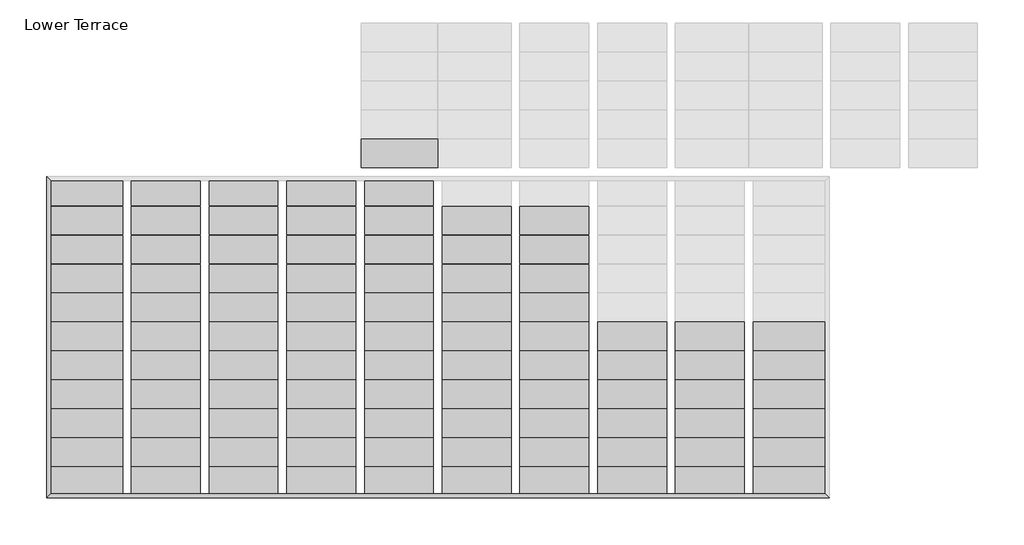
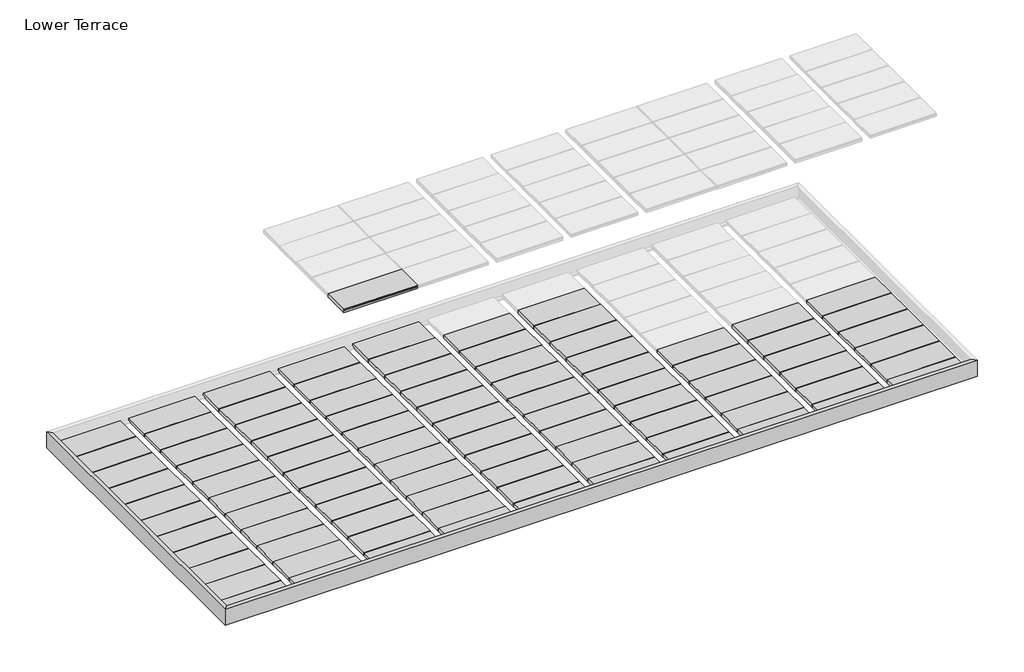
# One storey, part 1 of 3: 96 beams.
"""IFC4 building model written with IfcOpenShell, lengths in millimetres."""

import ifcopenshell
import ifcopenshell.guid

model = None  # the IFC model being written
_history = None  # IfcOwnerHistory: only IFC2X3 demands one
_inside = {}  # id of a spatial element -> (the spatial element, [elements in it])
_under = {}  # id of a project, library or spatial element -> (it, [spatial elements below it])
_declared = {}  # id of a project -> (the project, [libraries it declares])
_typed = {}  # id of a type object -> (the type object, [elements of that type])
_made_of = {}  # id of a material, layer set ... -> (it, [elements and type objects made of it])


def new_model(schema):
    """Start an empty IFC model of exactly this schema.

    Asked for "IFC4X3", IfcOpenShell would pick the latest addendum, in which some entities
    have other attributes; the version numbers below select the first issue.
    IFC2X3 requires an IfcOwnerHistory on every rooted entity: one is made here for all.
    """
    global model, _history
    if schema == "IFC4X3":
        model = ifcopenshell.file(schema_version=(4, 3, 0, 0))
    else:
        model = ifcopenshell.file(schema=schema)
    _inside.clear()
    _under.clear()
    _declared.clear()
    _typed.clear()
    _made_of.clear()
    _history = None
    if model.schema == "IFC2X3":
        org = make("IfcOrganization", Name="unknown")
        user = make(
            "IfcPersonAndOrganization",
            ThePerson=make("IfcPerson", FamilyName="unknown"),
            TheOrganization=org,
        )
        app = make(
            "IfcApplication",
            ApplicationDeveloper=org,
            Version="unknown",
            ApplicationFullName="unknown",
            ApplicationIdentifier="unknown",
        )
        _history = make(
            "IfcOwnerHistory",
            OwningUser=user,
            OwningApplication=app,
            ChangeAction="ADDED",
            CreationDate=0,
        )
    return model


def make(cls, **values):
    """One entity of the class cls with the attributes given. An attribute that is None is left unset."""
    return model.create_entity(
        cls, **{name: value for name, value in values.items() if value is not None}
    )


def rooted(cls, **values):
    """An entity with a GlobalId (a new one), such as an element, a storey or a relation."""
    return make(cls, GlobalId=ifcopenshell.guid.new(), OwnerHistory=_history, **values)


def si_unit(unit_type, name, prefix=None):
    """IfcSIUnit, for example si_unit("LENGTHUNIT", "METRE", prefix="MILLI")."""
    return make("IfcSIUnit", UnitType=unit_type, Prefix=prefix, Name=name)


def assignment(units):
    """IfcUnitAssignment: the units of a project."""
    return None if units is None else make("IfcUnitAssignment", Units=units)


def point(xyz):
    """IfcCartesianPoint."""
    return None if xyz is None else make("IfcCartesianPoint", Coordinates=xyz)


def direction(xyz):
    """IfcDirection."""
    return None if xyz is None else make("IfcDirection", DirectionRatios=xyz)


def frame(location, z_axis=None, x_axis=None):
    """IfcAxis2Placement3D, a coordinate frame: its origin and axes. An axis left out is left unset."""
    return make(
        "IfcAxis2Placement3D",
        Location=point(location),
        Axis=direction(z_axis),
        RefDirection=direction(x_axis),
    )


def frame_2d(location, x_axis=None):
    """IfcAxis2Placement2D, a coordinate frame in the plane: its origin and x axis."""
    return make(
        "IfcAxis2Placement2D", Location=point(location), RefDirection=direction(x_axis)
    )


def origin():
    """The frame at (0, 0, 0) with its axes left unset."""
    return frame((0.0, 0.0, 0.0))


def place(relative_to, where):
    """IfcLocalPlacement: puts the frame where relative to a parent placement (None: the world)."""
    return make(
        "IfcLocalPlacement", PlacementRelTo=relative_to, RelativePlacement=where
    )


def context(
    kind, dimensions, precision=None, world=None, true_north=None, identifier=None
):
    """IfcGeometricRepresentationContext, for example the 3D "Model" context."""
    return make(
        "IfcGeometricRepresentationContext",
        ContextIdentifier=identifier,
        ContextType=kind,
        CoordinateSpaceDimension=dimensions,
        Precision=precision,
        WorldCoordinateSystem=world,
        TrueNorth=true_north,
    )


def project(units=None, contexts=None):
    """IfcProject with its units and contexts."""
    return rooted(
        "IfcProject",
        Name="project",
        RepresentationContexts=contexts,
        UnitsInContext=assignment(units),
    )


def spatial(cls, under=None, at=None, **own):
    """A site, building, storey or space (cls), placed at a placement, below another one or the project."""
    s = rooted(cls, ObjectPlacement=at, **own)
    if under is not None:
        _under.setdefault(under.id(), (under, []))[1].append(s)
    return s


def polyline(points):
    """IfcPolyline through the points."""
    return make("IfcPolyline", Points=[point(p) for p in points])


def circle_curve(where, radius):
    """IfcCircle in the frame where."""
    return make("IfcCircle", Position=where, Radius=radius)


def ellipse_curve(where, semi_axis1, semi_axis2):
    """IfcEllipse in the frame where."""
    return make(
        "IfcEllipse", Position=where, SemiAxis1=semi_axis1, SemiAxis2=semi_axis2
    )


def trimmed(basis, trim1, trim2, sense, master):
    """IfcTrimmedCurve: the piece of a basis curve between two trims."""
    return make(
        "IfcTrimmedCurve",
        BasisCurve=basis,
        Trim1=trim1,
        Trim2=trim2,
        SenseAgreement=sense,
        MasterRepresentation=master,
    )


def segment(curve, same_sense, transition):
    """IfcCompositeCurveSegment."""
    return make(
        "IfcCompositeCurveSegment",
        Transition=transition,
        SameSense=same_sense,
        ParentCurve=curve,
    )


def composite_curve(segments, self_intersect=None):
    """IfcCompositeCurve: segments joined end to end."""
    return make("IfcCompositeCurve", Segments=segments, SelfIntersect=self_intersect)


def outline(outer, holes=None, kind="AREA"):
    """IfcArbitraryClosedProfileDef: a profile drawn as a closed curve; with holes, ...WithVoids."""
    if holes is None:
        return make("IfcArbitraryClosedProfileDef", ProfileType=kind, OuterCurve=outer)
    return make(
        "IfcArbitraryProfileDefWithVoids",
        ProfileType=kind,
        OuterCurve=outer,
        InnerCurves=holes,
    )


def extrude(swept, where, along, depth):
    """IfcExtrudedAreaSolid: the profile swept, set in the frame where, extruded along a direction by depth."""
    return make(
        "IfcExtrudedAreaSolid",
        SweptArea=swept,
        Position=where,
        ExtrudedDirection=direction(along),
        Depth=depth,
    )


def shape(context_of_items, identifier, shape_type, items):
    """IfcShapeRepresentation: the items that make up one representation, for example the "Body"."""
    return make(
        "IfcShapeRepresentation",
        ContextOfItems=context_of_items,
        RepresentationIdentifier=identifier,
        RepresentationType=shape_type,
        Items=items,
    )


def source(mapping_origin, context_of_items, identifier, shape_type, items):
    """IfcRepresentationMap: a shape defined once, which mapped items show again and again."""
    return make(
        "IfcRepresentationMap",
        MappingOrigin=mapping_origin,
        MappedRepresentation=shape(context_of_items, identifier, shape_type, items),
    )


def transform(
    local_origin,
    x_axis=None,
    y_axis=None,
    z_axis=None,
    scale=None,
    scale2=None,
    scale3=None,
    uniform=True,
):
    """IfcCartesianTransformationOperator3D, or its non-uniform kind. x_axis, y_axis, z_axis: its Axis1, 2, 3."""
    if uniform:
        return make(
            "IfcCartesianTransformationOperator3D",
            Axis1=direction(x_axis),
            Axis2=direction(y_axis),
            LocalOrigin=point(local_origin),
            Scale=scale,
            Axis3=direction(z_axis),
        )
    return make(
        "IfcCartesianTransformationOperator3DnonUniform",
        Axis1=direction(x_axis),
        Axis2=direction(y_axis),
        LocalOrigin=point(local_origin),
        Scale=scale,
        Axis3=direction(z_axis),
        Scale2=scale2,
        Scale3=scale3,
    )


def mapped(mapping_source, mapping_target):
    """IfcMappedItem: shows the shape of a source again, moved by a transform."""
    return make(
        "IfcMappedItem", MappingSource=mapping_source, MappingTarget=mapping_target
    )


def made_of(thing, what):
    """Note that an element or type object is made of a material, layer set ...; save() writes the relation."""
    if what is not None:
        _made_of.setdefault(what.id(), (what, []))[1].append(thing)
    return thing


def element(
    cls,
    number,
    at=None,
    inside=None,
    cuts=None,
    type_object=None,
    material=None,
    context=None,
    identifier="Body",
    shape_type=None,
    held_by="IfcProductDefinitionShape",
    body=None,
    shapes=None,
    **own,
):
    """One element of the class cls, such as IfcWall. Its Tag is "e" and its number.

    at: its placement. inside: the storey or other place that contains it. cuts: it is an
    opening in that element (IfcRelVoidsElement). A single representation is given by context,
    identifier, shape_type and body (its items); several are given by shapes. held_by: the class
    of the entity that holds the representations. save() writes the other relations.
    """
    e = rooted(cls, Tag="e%d" % number, ObjectPlacement=at, **own)
    if body is not None:
        shapes = [shape(context, identifier, shape_type, body)]
    if shapes is not None:
        e.Representation = make(held_by, Representations=shapes)
    if inside is not None:
        _inside.setdefault(inside.id(), (inside, []))[1].append(e)
    if cuts is not None:
        rooted(
            "IfcRelVoidsElement", RelatingBuildingElement=cuts, RelatedOpeningElement=e
        )
    if type_object is not None:
        _typed.setdefault(type_object.id(), (type_object, []))[1].append(e)
    return made_of(e, material)


def aggregate(whole, parts):
    """IfcRelAggregates: a whole, such as a stair, and the parts it consists of."""
    return rooted("IfcRelAggregates", RelatingObject=whole, RelatedObjects=parts)


def save(model, path):
    """Write the relations noted so far, then the file.

    IfcRelAggregates (storeys below a building ...), IfcRelContainedInSpatialStructure (elements
    in a storey), IfcRelDefinesByType, IfcRelAssociatesMaterial and IfcRelDeclares: one each for
    every whole, place, type object, material and project.
    """
    for whole, parts in _under.values():
        aggregate(whole, parts)
    for where, things in _inside.values():
        rooted(
            "IfcRelContainedInSpatialStructure",
            RelatedElements=things,
            RelatingStructure=where,
        )
    for kind, things in _typed.values():
        rooted("IfcRelDefinesByType", RelatedObjects=things, RelatingType=kind)
    for what, things in _made_of.values():
        rooted("IfcRelAssociatesMaterial", RelatedObjects=things, RelatingMaterial=what)
    for by, libraries in _declared.values():
        rooted("IfcRelDeclares", RelatingContext=by, RelatedDefinitions=libraries)
    model.write(path)


def plane_surface(at):
    """IfcPlane: the flat surface through the origin of the frame at, square to its z axis."""
    return make("IfcPlane", Position=at)


def cylinder_surface(at, radius):
    """IfcCylindricalSurface: all points at the distance radius from the z axis of the frame at."""
    return make("IfcCylindricalSurface", Position=at, Radius=radius)


def advanced_brep(points, edges, surfaces, faces):
    """IfcAdvancedBrep: a solid bounded by faces that lie on surfaces and meet in shared edges.

    An edge is (start, end): straight between two places in points (the first is 0);
    or (start, end, curve); or (start, end, curve, False) where it runs against its curve.
    A face is (place in surfaces, loops), or (place, loops, False) where it looks against
    its surface's normal. A loop lists edges by number (the first is 1), with a minus sign
    where the edge is run from its end to its start. The first loop is the outer one.
    """
    corners = [point(p) for p in points]
    vertices = [make("IfcVertexPoint", VertexGeometry=c) for c in corners]
    made = []
    for start, end, *more in edges:
        made.append(
            make(
                "IfcEdgeCurve",
                EdgeStart=vertices[start],
                EdgeEnd=vertices[end],
                EdgeGeometry=more[0] if more else make("IfcPolyline", Points=[corners[start], corners[end]]),
                SameSense=more[1] if len(more) > 1 else True,
            )
        )
    hull = []
    for where, loops, *sense in faces:
        bounds = []
        for j, loop in enumerate(loops):
            ring = [make("IfcOrientedEdge", EdgeElement=made[abs(k) - 1], Orientation=k > 0) for k in loop]
            bounds.append(
                make(
                    "IfcFaceOuterBound" if j == 0 else "IfcFaceBound",
                    Bound=make("IfcEdgeLoop", EdgeList=ring),
                    Orientation=True,
                )
            )
        hull.append(make("IfcAdvancedFace", Bounds=bounds, FaceSurface=surfaces[where], SameSense=sense[0] if sense else True))
    return make("IfcAdvancedBrep", Outer=make("IfcClosedShell", CfsFaces=hull))


def precast_solid_flat_slab_f5c3f743(model_context):
    return source(origin(), model_context, "Body", "SweptSolid", [
        extrude(outline(composite_curve([segment(polyline([(-304.8, 38.1), (304.8, 38.1), (304.8, 22.225)]), True, "CONTINUOUS"), segment(trimmed(circle_curve(frame_2d((304.8, 12.7)), 9.525), [point((304.8, 22.225))], [point((304.8, 3.175))], True, "CARTESIAN"), True, "CONTINUOUS"), segment(polyline([(304.8, 3.175), (304.8, -38.1), (-304.8, -38.1), (-304.8, 3.175)]), True, "CONTINUOUS"), segment(trimmed(circle_curve(frame_2d((-304.8, 12.7)), 9.525), [point((-304.8, 3.175))], [point((-304.8, 22.225))], True, "CARTESIAN"), True, "CONTINUOUS"), segment(polyline([(-304.8, 22.225), (-304.8, 38.1)]), True, "CONTINUOUS")], self_intersect=False)), frame((-787.7302, 0.0, 0.0), z_axis=(1.0, 0.0, 0.0), x_axis=(0.0, 1.0, 0.0)), (0.0, 0.0, 1.0), 1654.5052),
    ])


def precast_solid_flat_slab_e9907725(model_context):
    return source(origin(), model_context, "Body", "SweptSolid", [
        extrude(outline(composite_curve([segment(polyline([(-304.8, 38.1), (304.8, 38.1), (304.8, 22.225)]), True, "CONTINUOUS"), segment(trimmed(circle_curve(frame_2d((304.8, 12.7)), 9.525), [point((304.8, 22.225))], [point((304.8, 3.175))], True, "CARTESIAN"), True, "CONTINUOUS"), segment(polyline([(304.8, 3.175), (304.8, -38.1), (-304.8, -38.1), (-304.8, 3.175)]), True, "CONTINUOUS"), segment(trimmed(circle_curve(frame_2d((-304.8, 12.7)), 9.525), [point((-304.8, 3.175))], [point((-304.8, 22.225))], True, "CARTESIAN"), True, "CONTINUOUS"), segment(polyline([(-304.8, 22.225), (-304.8, 38.1)]), True, "CONTINUOUS")], self_intersect=False)), frame((-771.6738281, 0.0, 0.0), z_axis=(1.0, 0.0, 0.0), x_axis=(0.0, 1.0, 0.0)), (0.0, 0.0, 1.0), 1486.1976562),
    ])


def precast_solid_flat_slab_ed6b8f32(model_context):
    return source(origin(), model_context, "Body", "SweptSolid", [
        extrude(outline(composite_curve([segment(polyline([(-304.8, 38.1), (304.8, 38.1), (304.8, 22.225)]), True, "CONTINUOUS"), segment(trimmed(circle_curve(frame_2d((304.8, 12.7)), 9.525), [point((304.8, 22.225))], [point((304.8, 3.175))], True, "CARTESIAN"), True, "CONTINUOUS"), segment(polyline([(304.8, 3.175), (304.8, -38.1), (-304.8, -38.1), (-304.8, 3.175)]), True, "CONTINUOUS"), segment(trimmed(circle_curve(frame_2d((-304.8, 12.7)), 9.525), [point((-304.8, 3.175))], [point((-304.8, 22.225))], True, "CARTESIAN"), True, "CONTINUOUS"), segment(polyline([(-304.8, 22.225), (-304.8, 38.1)]), True, "CONTINUOUS")], self_intersect=False)), frame((-771.6738281, 0.0, 0.0), z_axis=(1.0, 0.0, 0.0), x_axis=(0.0, 1.0, 0.0)), (0.0, 0.0, 1.0), 1540.3540281),
    ])


def precast_solid_flat_slab_c824c802(model_context):
    return source(origin(), model_context, "Body", "SweptSolid", [
        extrude(outline(composite_curve([segment(polyline([(-304.8, 38.1), (304.8, 38.1), (304.8, 22.225)]), True, "CONTINUOUS"), segment(trimmed(circle_curve(frame_2d((304.8, 12.7)), 9.525), [point((304.8, 22.225))], [point((304.8, 3.175))], True, "CARTESIAN"), True, "CONTINUOUS"), segment(polyline([(304.8, 3.175), (304.8, -38.1), (-304.8, -38.1), (-304.8, 3.175)]), True, "CONTINUOUS"), segment(trimmed(circle_curve(frame_2d((-304.8, 12.7)), 9.525), [point((-304.8, 3.175))], [point((-304.8, 22.225))], True, "CARTESIAN"), True, "CONTINUOUS"), segment(polyline([(-304.8, 22.225), (-304.8, 38.1)]), True, "CONTINUOUS")], self_intersect=False)), frame((-825.8302, 0.0, 0.0), z_axis=(1.0, 0.0, 0.0), x_axis=(0.0, 1.0, 0.0)), (0.0, 0.0, 1.0), 1540.3540281),
    ])


model = new_model("IFC4")

# Units and contexts
model_context = context("Model", 3, world=origin())
ifc_project = project(units=[si_unit("LENGTHUNIT", "METRE", prefix="MILLI")], contexts=[model_context])

# Site, building, storey
site = spatial("IfcSite", under=ifc_project)
building = spatial("IfcBuilding", under=site)
storey = spatial("IfcBuildingStorey", under=building, Name="Lower Terrace", Elevation=0.0)

# Beams
placement = place(None, origin())
element("IfcBeam", 1, ObjectType="C-Channel : C15X33.9", at=placement, inside=storey, context=model_context, shape_type="AdvancedBrep", body=[
    advanced_brep(
    [(66.3448, 66.3448, 0.0), (-20.0152, -20.0152, 0.0), (16860.2152, -20.0152, 0.0), (16773.8552, 66.3448, 0.0), (49.8348, 49.8348, -16.51), (16790.3652, 49.8348, -16.51), (-9.8552, -9.8552, -25.9639672), (16850.0552, -9.8552, -25.9639672), (-9.8552, -9.8552, -355.0360328), (16850.0552, -9.8552, -355.0360328), (49.8348, 49.8348, -364.49), (16790.3652, 49.8348, -364.49), (66.3448, 66.3448, -381.0), (16773.8552, 66.3448, -381.0), (-20.0152, -20.0152, -381.0), (16860.2152, -20.0152, -381.0)],
    [
        (0, 1),
        (1, 2),
        (2, 3),
        (3, 0),
        (4, 0, ellipse_curve(frame((49.8348, 49.8348, 0.0), z_axis=(0.707106781186546, -0.707106781186549, 0.0), x_axis=(0.707106781186549, 0.707106781186546, 0.0)), 23.3486659, 16.51)),
        (3, 5, ellipse_curve(frame((16790.3652, 49.8348, 0.0), z_axis=(-0.707106781186546, -0.707106781186549, 0.0), x_axis=(0.707106781186549, -0.707106781186546, 0.0)), 23.3486659, 16.51)),
        (5, 4),
        (6, 4),
        (5, 7),
        (7, 6),
        (8, 6),
        (7, 9),
        (9, 8),
        (10, 8),
        (9, 11),
        (11, 10),
        (12, 10, ellipse_curve(frame((49.8348, 49.8348, -381.0), z_axis=(0.707106781186546, -0.707106781186549, 0.0), x_axis=(0.707106781186549, 0.707106781186546, 0.0)), 23.3486659, 16.51)),
        (11, 13, ellipse_curve(frame((16790.3652, 49.8348, -381.0), z_axis=(-0.707106781186546, -0.707106781186549, 0.0), x_axis=(0.707106781186549, -0.707106781186546, 0.0)), 23.3486659, 16.51)),
        (13, 12),
        (14, 12),
        (13, 15),
        (15, 14),
        (1, 14),
        (15, 2),
    ],
    [
        plane_surface(frame((0.0, 23.1648, 0.0), z_axis=(0.0, 0.0, 1.0), x_axis=(0.0, 1.0, 0.0))),
        cylinder_surface(frame((0.0, 49.8348, 0.0), z_axis=(1.0, 0.0, 0.0), x_axis=(0.0, 0.0, -1.0)), 16.51),
        plane_surface(frame((0.0, 19.9898, -21.2369836), z_axis=(0.0, 0.15643446504022748, -0.9876883405951383), x_axis=(0.0, -0.9876883405951383, -0.15643446504022748))),
        plane_surface(frame((0.0, -9.8552, -190.5), z_axis=(0.0, 1.0, 0.0), x_axis=(0.0, 0.0, -1.0))),
        plane_surface(frame((0.0, 19.9898, -359.7630164), z_axis=(0.0, 0.15643446504023373, 0.9876883405951373), x_axis=(0.0, 0.9876883405951373, -0.15643446504023373))),
        cylinder_surface(frame((0.0, 49.8348, -381.0), z_axis=(1.0, 0.0, 0.0), x_axis=(0.0, 1.0, 0.0)), 16.51),
        plane_surface(frame((0.0, 23.1648, -381.0), z_axis=(0.0, 0.0, -1.0), x_axis=(0.0, -1.0, 0.0))),
        plane_surface(frame((0.0, -20.0152, -190.5), z_axis=(0.0, -1.0, 0.0), x_axis=(0.0, 0.0, 1.0))),
        plane_surface(frame((66.3448, 66.3448, 0.0), z_axis=(-0.707106781186546, 0.707106781186549, 0.0), x_axis=(0.707106781186549, 0.707106781186546, 0.0))),
        plane_surface(frame((16773.8552, 66.3448, 0.0), z_axis=(0.707106781186546, 0.707106781186549, 0.0), x_axis=(0.707106781186549, -0.707106781186546, 0.0))),
    ],
    [
        (0, [[1, 2, 3, 4]]),
        (1, [[5, -4, 6, 7]]),
        (2, [[8, -7, 9, 10]]),
        (3, [[11, -10, 12, 13]]),
        (4, [[14, -13, 15, 16]]),
        (5, [[17, -16, 18, 19]]),
        (6, [[20, -19, 21, 22]]),
        (7, [[23, -22, 24, -2]]),
        (8, [[-1, -5, -8, -11, -14, -17, -20, -23]]),
        (9, [[-24, -21, -18, -15, -12, -9, -6, -3]]),
    ],
),
])
element("IfcBeam", 2, ObjectType="C-Channel : C15X33.9", at=placement, inside=storey, context=model_context, shape_type="AdvancedBrep", body=[
    advanced_brep(
    [(66.3448, 6836.1052, 0.0), (-20.0152, 6922.4652, 0.0), (-20.0152, -20.0152, 0.0), (66.3448, 66.3448, 0.0), (49.8348, 6852.6152, -16.51), (49.8348, 49.8348, -16.51), (-9.8552, 6912.3052, -25.9639672), (-9.8552, -9.8552, -25.9639672), (-9.8552, 6912.3052, -355.0360328), (-9.8552, -9.8552, -355.0360328), (49.8348, 6852.6152, -364.49), (49.8348, 49.8348, -364.49), (66.3448, 6836.1052, -381.0), (66.3448, 66.3448, -381.0), (-20.0152, 6922.4652, -381.0), (-20.0152, -20.0152, -381.0)],
    [
        (0, 1),
        (1, 2),
        (2, 3),
        (3, 0),
        (4, 0, ellipse_curve(frame((49.8348, 6852.6152, 0.0), z_axis=(-0.707106781186549, -0.707106781186546, 0.0), x_axis=(0.707106781186546, -0.707106781186549, 0.0)), 23.3486659, 16.51)),
        (3, 5, ellipse_curve(frame((49.8348, 49.8348, 0.0), z_axis=(-0.7071067811865476, 0.7071067811865475, 0.0), x_axis=(-0.7071067811865475, -0.7071067811865477, 0.0)), 23.3486659, 16.51)),
        (5, 4),
        (6, 4),
        (5, 7),
        (7, 6),
        (8, 6),
        (7, 9),
        (9, 8),
        (10, 8),
        (9, 11),
        (11, 10),
        (12, 10, ellipse_curve(frame((49.8348, 6852.6152, -381.0), z_axis=(-0.707106781186549, -0.707106781186546, 0.0), x_axis=(0.707106781186546, -0.707106781186549, 0.0)), 23.3486659, 16.51)),
        (11, 13, ellipse_curve(frame((49.8348, 49.8348, -381.0), z_axis=(-0.7071067811865476, 0.7071067811865475, 0.0), x_axis=(-0.7071067811865475, -0.7071067811865477, 0.0)), 23.3486659, 16.51)),
        (13, 12),
        (14, 12),
        (13, 15),
        (15, 14),
        (1, 14),
        (15, 2),
    ],
    [
        plane_surface(frame((23.1648, 6902.45, 0.0), z_axis=(0.0, 0.0, 1.0), x_axis=(1.0, 0.0, 0.0))),
        cylinder_surface(frame((49.8348, 6902.45, 0.0), z_axis=(0.0, -1.0, 0.0), x_axis=(0.0, 0.0, -1.0)), 16.51),
        plane_surface(frame((19.9898, 6902.45, -21.2369836), z_axis=(0.15643446504022748, 0.0, -0.9876883405951383), x_axis=(-0.9876883405951383, 0.0, -0.15643446504022748))),
        plane_surface(frame((-9.8552, 6902.45, -190.5), z_axis=(1.0, 0.0, 0.0), x_axis=(0.0, 0.0, -1.0))),
        plane_surface(frame((19.9898, 6902.45, -359.7630164), z_axis=(0.15643446504023373, 0.0, 0.9876883405951373), x_axis=(0.9876883405951373, 0.0, -0.15643446504023373))),
        cylinder_surface(frame((49.8348, 6902.45, -381.0), z_axis=(0.0, -1.0, 0.0), x_axis=(1.0, 0.0, 0.0)), 16.51),
        plane_surface(frame((23.1648, 6902.45, -381.0), z_axis=(0.0, 0.0, -1.0), x_axis=(-1.0, 0.0, 0.0))),
        plane_surface(frame((-20.0152, 6902.45, -190.5), z_axis=(-1.0, 0.0, 0.0), x_axis=(0.0, 0.0, 1.0))),
        plane_surface(frame((66.3448, 66.3448, 0.0), z_axis=(0.7071067811865476, -0.7071067811865475, 0.0), x_axis=(0.7071067811865475, 0.7071067811865476, 0.0))),
        plane_surface(frame((66.3448, 6836.1052, 0.0), z_axis=(0.707106781186549, 0.707106781186546, 0.0), x_axis=(0.707106781186546, -0.707106781186549, 0.0))),
    ],
    [
        (0, [[1, 2, 3, 4]]),
        (1, [[5, -4, 6, 7]]),
        (2, [[8, -7, 9, 10]]),
        (3, [[11, -10, 12, 13]]),
        (4, [[14, -13, 15, 16]]),
        (5, [[17, -16, 18, 19]]),
        (6, [[20, -19, 21, 22]]),
        (7, [[23, -22, 24, -2]]),
        (8, [[-24, -21, -18, -15, -12, -9, -6, -3]]),
        (9, [[-1, -5, -8, -11, -14, -17, -20, -23]]),
    ],
),
])
precast_solid_flat_slab_shape = precast_solid_flat_slab_f5c3f743(model_context)
element("IfcBeam", 3, ObjectType="Precast-Solid Flat Slab", at=placement, inside=storey, context=model_context, shape_type="MappedRepresentation", body=[
    mapped(precast_solid_flat_slab_shape, transform((7553.325, 7423.15, 368.3), x_axis=(1.0, 0.0, 0.0), y_axis=(0.0, 1.0, 0.0), z_axis=(0.0, 0.0, 1.0))),
])
precast_solid_flat_slab_2_shape = precast_solid_flat_slab_e9907725(model_context)
element("IfcBeam", 4, ObjectType="Precast-Solid Flat Slab", at=placement, inside=storey, context=model_context, shape_type="MappedRepresentation", body=[
    mapped(precast_solid_flat_slab_2_shape, transform((10963.275, 5972.4192308, -342.9), x_axis=(1.0, 0.0, 0.0), y_axis=(0.0, 1.0, 0.0), z_axis=(0.0, 0.0, 1.0))),
])
element("IfcBeam", 5, ObjectType="Precast-Solid Flat Slab", at=placement, inside=storey, context=model_context, shape_type="MappedRepresentation", body=[
    mapped(precast_solid_flat_slab_2_shape, transform((10963.275, 5347.1884615, -342.9), x_axis=(1.0, 0.0, 0.0), y_axis=(0.0, 1.0, 0.0), z_axis=(0.0, 0.0, 1.0))),
])
element("IfcBeam", 6, ObjectType="Precast-Solid Flat Slab", at=placement, inside=storey, context=model_context, shape_type="MappedRepresentation", body=[
    mapped(precast_solid_flat_slab_2_shape, transform((10963.275, 4721.9576923, -342.9), x_axis=(1.0, 0.0, 0.0), y_axis=(0.0, 1.0, 0.0), z_axis=(0.0, 0.0, 1.0))),
])
element("IfcBeam", 7, ObjectType="Precast-Solid Flat Slab", at=placement, inside=storey, context=model_context, shape_type="MappedRepresentation", body=[
    mapped(precast_solid_flat_slab_2_shape, transform((10963.275, 4096.7269231, -342.9), x_axis=(1.0, 0.0, 0.0), y_axis=(0.0, 1.0, 0.0), z_axis=(0.0, 0.0, 1.0))),
])
element("IfcBeam", 8, ObjectType="Precast-Solid Flat Slab", at=placement, inside=storey, context=model_context, shape_type="MappedRepresentation", body=[
    mapped(precast_solid_flat_slab_2_shape, transform((10963.275, 3471.4961538, -342.9), x_axis=(1.0, 0.0, 0.0), y_axis=(0.0, 1.0, 0.0), z_axis=(0.0, 0.0, 1.0))),
])
element("IfcBeam", 9, ObjectType="Precast-Solid Flat Slab", at=placement, inside=storey, context=model_context, shape_type="MappedRepresentation", body=[
    mapped(precast_solid_flat_slab_2_shape, transform((10963.275, 2846.2653846, -342.9), x_axis=(1.0, 0.0, 0.0), y_axis=(0.0, 1.0, 0.0), z_axis=(0.0, 0.0, 1.0))),
])
element("IfcBeam", 10, ObjectType="Precast-Solid Flat Slab", at=placement, inside=storey, context=model_context, shape_type="MappedRepresentation", body=[
    mapped(precast_solid_flat_slab_2_shape, transform((10963.275, 2221.0346154, -342.9), x_axis=(1.0, 0.0, 0.0), y_axis=(0.0, 1.0, 0.0), z_axis=(0.0, 0.0, 1.0))),
])
element("IfcBeam", 11, ObjectType="Precast-Solid Flat Slab", at=placement, inside=storey, context=model_context, shape_type="MappedRepresentation", body=[
    mapped(precast_solid_flat_slab_2_shape, transform((10963.275, 1595.8038462, -342.9), x_axis=(1.0, 0.0, 0.0), y_axis=(0.0, 1.0, 0.0), z_axis=(0.0, 0.0, 1.0))),
])
element("IfcBeam", 12, ObjectType="Precast-Solid Flat Slab", at=placement, inside=storey, context=model_context, shape_type="MappedRepresentation", body=[
    mapped(precast_solid_flat_slab_2_shape, transform((10963.275, 970.5730769, -342.9), x_axis=(1.0, 0.0, 0.0), y_axis=(0.0, 1.0, 0.0), z_axis=(0.0, 0.0, 1.0))),
])
element("IfcBeam", 13, ObjectType="Precast-Solid Flat Slab", at=placement, inside=storey, context=model_context, shape_type="MappedRepresentation", body=[
    mapped(precast_solid_flat_slab_2_shape, transform((10963.275, 345.3423077, -342.9), x_axis=(1.0, 0.0, 0.0), y_axis=(0.0, 1.0, 0.0), z_axis=(0.0, 0.0, 1.0))),
])
element("IfcBeam", 14, ObjectType="Precast-Solid Flat Slab", at=placement, inside=storey, context=model_context, shape_type="MappedRepresentation", body=[
    mapped(precast_solid_flat_slab_2_shape, transform((12639.675, 3471.4961538, -342.9), x_axis=(1.0, 0.0, 0.0), y_axis=(0.0, 1.0, 0.0), z_axis=(0.0, 0.0, 1.0))),
])
element("IfcBeam", 15, ObjectType="Precast-Solid Flat Slab", at=placement, inside=storey, context=model_context, shape_type="MappedRepresentation", body=[
    mapped(precast_solid_flat_slab_2_shape, transform((12639.675, 2846.2653846, -342.9), x_axis=(1.0, 0.0, 0.0), y_axis=(0.0, 1.0, 0.0), z_axis=(0.0, 0.0, 1.0))),
])
element("IfcBeam", 16, ObjectType="Precast-Solid Flat Slab", at=placement, inside=storey, context=model_context, shape_type="MappedRepresentation", body=[
    mapped(precast_solid_flat_slab_2_shape, transform((12639.675, 2221.0346154, -342.9), x_axis=(1.0, 0.0, 0.0), y_axis=(0.0, 1.0, 0.0), z_axis=(0.0, 0.0, 1.0))),
])
element("IfcBeam", 17, ObjectType="Precast-Solid Flat Slab", at=placement, inside=storey, context=model_context, shape_type="MappedRepresentation", body=[
    mapped(precast_solid_flat_slab_2_shape, transform((12639.675, 1595.8038462, -342.9), x_axis=(1.0, 0.0, 0.0), y_axis=(0.0, 1.0, 0.0), z_axis=(0.0, 0.0, 1.0))),
])
element("IfcBeam", 18, ObjectType="Precast-Solid Flat Slab", at=placement, inside=storey, context=model_context, shape_type="MappedRepresentation", body=[
    mapped(precast_solid_flat_slab_2_shape, transform((12639.675, 970.5730769, -342.9), x_axis=(1.0, 0.0, 0.0), y_axis=(0.0, 1.0, 0.0), z_axis=(0.0, 0.0, 1.0))),
])
element("IfcBeam", 19, ObjectType="Precast-Solid Flat Slab", at=placement, inside=storey, context=model_context, shape_type="MappedRepresentation", body=[
    mapped(precast_solid_flat_slab_2_shape, transform((12639.675, 345.3423077, -342.9), x_axis=(1.0, 0.0, 0.0), y_axis=(0.0, 1.0, 0.0), z_axis=(0.0, 0.0, 1.0))),
])
element("IfcBeam", 20, ObjectType="Precast-Solid Flat Slab", at=placement, inside=storey, context=model_context, shape_type="MappedRepresentation", body=[
    mapped(precast_solid_flat_slab_2_shape, transform((14316.075, 3471.4961538, -342.9), x_axis=(1.0, 0.0, 0.0), y_axis=(0.0, 1.0, 0.0), z_axis=(0.0, 0.0, 1.0))),
])
element("IfcBeam", 21, ObjectType="Precast-Solid Flat Slab", at=placement, inside=storey, context=model_context, shape_type="MappedRepresentation", body=[
    mapped(precast_solid_flat_slab_2_shape, transform((14316.075, 2846.2653846, -342.9), x_axis=(1.0, 0.0, 0.0), y_axis=(0.0, 1.0, 0.0), z_axis=(0.0, 0.0, 1.0))),
])
element("IfcBeam", 22, ObjectType="Precast-Solid Flat Slab", at=placement, inside=storey, context=model_context, shape_type="MappedRepresentation", body=[
    mapped(precast_solid_flat_slab_2_shape, transform((14316.075, 2221.0346154, -342.9), x_axis=(1.0, 0.0, 0.0), y_axis=(0.0, 1.0, 0.0), z_axis=(0.0, 0.0, 1.0))),
])
element("IfcBeam", 23, ObjectType="Precast-Solid Flat Slab", at=placement, inside=storey, context=model_context, shape_type="MappedRepresentation", body=[
    mapped(precast_solid_flat_slab_2_shape, transform((14316.075, 1595.8038462, -342.9), x_axis=(1.0, 0.0, 0.0), y_axis=(0.0, 1.0, 0.0), z_axis=(0.0, 0.0, 1.0))),
])
element("IfcBeam", 24, ObjectType="Precast-Solid Flat Slab", at=placement, inside=storey, context=model_context, shape_type="MappedRepresentation", body=[
    mapped(precast_solid_flat_slab_2_shape, transform((14316.075, 970.5730769, -342.9), x_axis=(1.0, 0.0, 0.0), y_axis=(0.0, 1.0, 0.0), z_axis=(0.0, 0.0, 1.0))),
])
element("IfcBeam", 25, ObjectType="Precast-Solid Flat Slab", at=placement, inside=storey, context=model_context, shape_type="MappedRepresentation", body=[
    mapped(precast_solid_flat_slab_2_shape, transform((14316.075, 345.3423077, -342.9), x_axis=(1.0, 0.0, 0.0), y_axis=(0.0, 1.0, 0.0), z_axis=(0.0, 0.0, 1.0))),
])
element("IfcBeam", 26, ObjectType="Precast-Solid Flat Slab", at=placement, inside=storey, context=model_context, shape_type="MappedRepresentation", body=[
    mapped(precast_solid_flat_slab_2_shape, transform((9286.875, 5972.4192308, -342.9), x_axis=(1.0, 0.0, 0.0), y_axis=(0.0, 1.0, 0.0), z_axis=(0.0, 0.0, 1.0))),
])
element("IfcBeam", 27, ObjectType="Precast-Solid Flat Slab", at=placement, inside=storey, context=model_context, shape_type="MappedRepresentation", body=[
    mapped(precast_solid_flat_slab_2_shape, transform((9286.875, 5347.1884615, -342.9), x_axis=(1.0, 0.0, 0.0), y_axis=(0.0, 1.0, 0.0), z_axis=(0.0, 0.0, 1.0))),
])
element("IfcBeam", 28, ObjectType="Precast-Solid Flat Slab", at=placement, inside=storey, context=model_context, shape_type="MappedRepresentation", body=[
    mapped(precast_solid_flat_slab_2_shape, transform((9286.875, 4721.9576923, -342.9), x_axis=(1.0, 0.0, 0.0), y_axis=(0.0, 1.0, 0.0), z_axis=(0.0, 0.0, 1.0))),
])
element("IfcBeam", 29, ObjectType="Precast-Solid Flat Slab", at=placement, inside=storey, context=model_context, shape_type="MappedRepresentation", body=[
    mapped(precast_solid_flat_slab_2_shape, transform((9286.875, 4096.7269231, -342.9), x_axis=(1.0, 0.0, 0.0), y_axis=(0.0, 1.0, 0.0), z_axis=(0.0, 0.0, 1.0))),
])
element("IfcBeam", 30, ObjectType="Precast-Solid Flat Slab", at=placement, inside=storey, context=model_context, shape_type="MappedRepresentation", body=[
    mapped(precast_solid_flat_slab_2_shape, transform((9286.875, 3471.4961538, -342.9), x_axis=(1.0, 0.0, 0.0), y_axis=(0.0, 1.0, 0.0), z_axis=(0.0, 0.0, 1.0))),
])
element("IfcBeam", 31, ObjectType="Precast-Solid Flat Slab", at=placement, inside=storey, context=model_context, shape_type="MappedRepresentation", body=[
    mapped(precast_solid_flat_slab_2_shape, transform((9286.875, 2846.2653846, -342.9), x_axis=(1.0, 0.0, 0.0), y_axis=(0.0, 1.0, 0.0), z_axis=(0.0, 0.0, 1.0))),
])
element("IfcBeam", 32, ObjectType="Precast-Solid Flat Slab", at=placement, inside=storey, context=model_context, shape_type="MappedRepresentation", body=[
    mapped(precast_solid_flat_slab_2_shape, transform((9286.875, 2221.0346154, -342.9), x_axis=(1.0, 0.0, 0.0), y_axis=(0.0, 1.0, 0.0), z_axis=(0.0, 0.0, 1.0))),
])
element("IfcBeam", 33, ObjectType="Precast-Solid Flat Slab", at=placement, inside=storey, context=model_context, shape_type="MappedRepresentation", body=[
    mapped(precast_solid_flat_slab_2_shape, transform((9286.875, 1595.8038462, -342.9), x_axis=(1.0, 0.0, 0.0), y_axis=(0.0, 1.0, 0.0), z_axis=(0.0, 0.0, 1.0))),
])
element("IfcBeam", 34, ObjectType="Precast-Solid Flat Slab", at=placement, inside=storey, context=model_context, shape_type="MappedRepresentation", body=[
    mapped(precast_solid_flat_slab_2_shape, transform((9286.875, 970.5730769, -342.9), x_axis=(1.0, 0.0, 0.0), y_axis=(0.0, 1.0, 0.0), z_axis=(0.0, 0.0, 1.0))),
])
element("IfcBeam", 35, ObjectType="Precast-Solid Flat Slab", at=placement, inside=storey, context=model_context, shape_type="MappedRepresentation", body=[
    mapped(precast_solid_flat_slab_2_shape, transform((9286.875, 345.3423077, -342.9), x_axis=(1.0, 0.0, 0.0), y_axis=(0.0, 1.0, 0.0), z_axis=(0.0, 0.0, 1.0))),
])
element("IfcBeam", 36, ObjectType="Precast-Solid Flat Slab", at=placement, inside=storey, context=model_context, shape_type="MappedRepresentation", body=[
    mapped(precast_solid_flat_slab_2_shape, transform((7610.475, 6597.65, -342.9), x_axis=(1.0, 0.0, 0.0), y_axis=(0.0, 1.0, 0.0), z_axis=(0.0, 0.0, 1.0))),
])
element("IfcBeam", 37, ObjectType="Precast-Solid Flat Slab", at=placement, inside=storey, context=model_context, shape_type="MappedRepresentation", body=[
    mapped(precast_solid_flat_slab_2_shape, transform((7610.475, 5972.4192308, -342.9), x_axis=(1.0, 0.0, 0.0), y_axis=(0.0, 1.0, 0.0), z_axis=(0.0, 0.0, 1.0))),
])
element("IfcBeam", 38, ObjectType="Precast-Solid Flat Slab", at=placement, inside=storey, context=model_context, shape_type="MappedRepresentation", body=[
    mapped(precast_solid_flat_slab_2_shape, transform((7610.475, 5347.1884615, -342.9), x_axis=(1.0, 0.0, 0.0), y_axis=(0.0, 1.0, 0.0), z_axis=(0.0, 0.0, 1.0))),
])
element("IfcBeam", 39, ObjectType="Precast-Solid Flat Slab", at=placement, inside=storey, context=model_context, shape_type="MappedRepresentation", body=[
    mapped(precast_solid_flat_slab_2_shape, transform((7610.475, 4721.9576923, -342.9), x_axis=(1.0, 0.0, 0.0), y_axis=(0.0, 1.0, 0.0), z_axis=(0.0, 0.0, 1.0))),
])
element("IfcBeam", 40, ObjectType="Precast-Solid Flat Slab", at=placement, inside=storey, context=model_context, shape_type="MappedRepresentation", body=[
    mapped(precast_solid_flat_slab_2_shape, transform((7610.475, 4096.7269231, -342.9), x_axis=(1.0, 0.0, 0.0), y_axis=(0.0, 1.0, 0.0), z_axis=(0.0, 0.0, 1.0))),
])
element("IfcBeam", 41, ObjectType="Precast-Solid Flat Slab", at=placement, inside=storey, context=model_context, shape_type="MappedRepresentation", body=[
    mapped(precast_solid_flat_slab_2_shape, transform((7610.475, 3471.4961538, -342.9), x_axis=(1.0, 0.0, 0.0), y_axis=(0.0, 1.0, 0.0), z_axis=(0.0, 0.0, 1.0))),
])
element("IfcBeam", 42, ObjectType="Precast-Solid Flat Slab", at=placement, inside=storey, context=model_context, shape_type="MappedRepresentation", body=[
    mapped(precast_solid_flat_slab_2_shape, transform((7610.475, 2846.2653846, -342.9), x_axis=(1.0, 0.0, 0.0), y_axis=(0.0, 1.0, 0.0), z_axis=(0.0, 0.0, 1.0))),
])
element("IfcBeam", 43, ObjectType="Precast-Solid Flat Slab", at=placement, inside=storey, context=model_context, shape_type="MappedRepresentation", body=[
    mapped(precast_solid_flat_slab_2_shape, transform((7610.475, 2221.0346154, -342.9), x_axis=(1.0, 0.0, 0.0), y_axis=(0.0, 1.0, 0.0), z_axis=(0.0, 0.0, 1.0))),
])
element("IfcBeam", 44, ObjectType="Precast-Solid Flat Slab", at=placement, inside=storey, context=model_context, shape_type="MappedRepresentation", body=[
    mapped(precast_solid_flat_slab_2_shape, transform((7610.475, 1595.8038462, -342.9), x_axis=(1.0, 0.0, 0.0), y_axis=(0.0, 1.0, 0.0), z_axis=(0.0, 0.0, 1.0))),
])
element("IfcBeam", 45, ObjectType="Precast-Solid Flat Slab", at=placement, inside=storey, context=model_context, shape_type="MappedRepresentation", body=[
    mapped(precast_solid_flat_slab_2_shape, transform((7610.475, 970.5730769, -342.9), x_axis=(1.0, 0.0, 0.0), y_axis=(0.0, 1.0, 0.0), z_axis=(0.0, 0.0, 1.0))),
])
element("IfcBeam", 46, ObjectType="Precast-Solid Flat Slab", at=placement, inside=storey, context=model_context, shape_type="MappedRepresentation", body=[
    mapped(precast_solid_flat_slab_2_shape, transform((7610.475, 345.3423077, -342.9), x_axis=(1.0, 0.0, 0.0), y_axis=(0.0, 1.0, 0.0), z_axis=(0.0, 0.0, 1.0))),
])
element("IfcBeam", 47, ObjectType="Precast-Solid Flat Slab", at=placement, inside=storey, context=model_context, shape_type="MappedRepresentation", body=[
    mapped(precast_solid_flat_slab_2_shape, transform((5934.075, 6597.65, -342.9), x_axis=(1.0, 0.0, 0.0), y_axis=(0.0, 1.0, 0.0), z_axis=(0.0, 0.0, 1.0))),
])
element("IfcBeam", 48, ObjectType="Precast-Solid Flat Slab", at=placement, inside=storey, context=model_context, shape_type="MappedRepresentation", body=[
    mapped(precast_solid_flat_slab_2_shape, transform((5934.075, 5972.4192308, -342.9), x_axis=(1.0, 0.0, 0.0), y_axis=(0.0, 1.0, 0.0), z_axis=(0.0, 0.0, 1.0))),
])
element("IfcBeam", 49, ObjectType="Precast-Solid Flat Slab", at=placement, inside=storey, context=model_context, shape_type="MappedRepresentation", body=[
    mapped(precast_solid_flat_slab_2_shape, transform((5934.075, 5347.1884615, -342.9), x_axis=(1.0, 0.0, 0.0), y_axis=(0.0, 1.0, 0.0), z_axis=(0.0, 0.0, 1.0))),
])
element("IfcBeam", 50, ObjectType="Precast-Solid Flat Slab", at=placement, inside=storey, context=model_context, shape_type="MappedRepresentation", body=[
    mapped(precast_solid_flat_slab_2_shape, transform((5934.075, 4721.9576923, -342.9), x_axis=(1.0, 0.0, 0.0), y_axis=(0.0, 1.0, 0.0), z_axis=(0.0, 0.0, 1.0))),
])
element("IfcBeam", 51, ObjectType="Precast-Solid Flat Slab", at=placement, inside=storey, context=model_context, shape_type="MappedRepresentation", body=[
    mapped(precast_solid_flat_slab_2_shape, transform((5934.075, 4096.7269231, -342.9), x_axis=(1.0, 0.0, 0.0), y_axis=(0.0, 1.0, 0.0), z_axis=(0.0, 0.0, 1.0))),
])
element("IfcBeam", 52, ObjectType="Precast-Solid Flat Slab", at=placement, inside=storey, context=model_context, shape_type="MappedRepresentation", body=[
    mapped(precast_solid_flat_slab_2_shape, transform((5934.075, 3471.4961538, -342.9), x_axis=(1.0, 0.0, 0.0), y_axis=(0.0, 1.0, 0.0), z_axis=(0.0, 0.0, 1.0))),
])
element("IfcBeam", 53, ObjectType="Precast-Solid Flat Slab", at=placement, inside=storey, context=model_context, shape_type="MappedRepresentation", body=[
    mapped(precast_solid_flat_slab_2_shape, transform((5934.075, 2846.2653846, -342.9), x_axis=(1.0, 0.0, 0.0), y_axis=(0.0, 1.0, 0.0), z_axis=(0.0, 0.0, 1.0))),
])
element("IfcBeam", 54, ObjectType="Precast-Solid Flat Slab", at=placement, inside=storey, context=model_context, shape_type="MappedRepresentation", body=[
    mapped(precast_solid_flat_slab_2_shape, transform((5934.075, 2221.0346154, -342.9), x_axis=(1.0, 0.0, 0.0), y_axis=(0.0, 1.0, 0.0), z_axis=(0.0, 0.0, 1.0))),
])
element("IfcBeam", 55, ObjectType="Precast-Solid Flat Slab", at=placement, inside=storey, context=model_context, shape_type="MappedRepresentation", body=[
    mapped(precast_solid_flat_slab_2_shape, transform((5934.075, 1595.8038462, -342.9), x_axis=(1.0, 0.0, 0.0), y_axis=(0.0, 1.0, 0.0), z_axis=(0.0, 0.0, 1.0))),
])
element("IfcBeam", 56, ObjectType="Precast-Solid Flat Slab", at=placement, inside=storey, context=model_context, shape_type="MappedRepresentation", body=[
    mapped(precast_solid_flat_slab_2_shape, transform((5934.075, 970.5730769, -342.9), x_axis=(1.0, 0.0, 0.0), y_axis=(0.0, 1.0, 0.0), z_axis=(0.0, 0.0, 1.0))),
])
element("IfcBeam", 57, ObjectType="Precast-Solid Flat Slab", at=placement, inside=storey, context=model_context, shape_type="MappedRepresentation", body=[
    mapped(precast_solid_flat_slab_2_shape, transform((5934.075, 345.3423077, -342.9), x_axis=(1.0, 0.0, 0.0), y_axis=(0.0, 1.0, 0.0), z_axis=(0.0, 0.0, 1.0))),
])
element("IfcBeam", 58, ObjectType="Precast-Solid Flat Slab", at=placement, inside=storey, context=model_context, shape_type="MappedRepresentation", body=[
    mapped(precast_solid_flat_slab_2_shape, transform((4257.675, 6597.65, -342.9), x_axis=(1.0, 0.0, 0.0), y_axis=(0.0, 1.0, 0.0), z_axis=(0.0, 0.0, 1.0))),
])
element("IfcBeam", 59, ObjectType="Precast-Solid Flat Slab", at=placement, inside=storey, context=model_context, shape_type="MappedRepresentation", body=[
    mapped(precast_solid_flat_slab_2_shape, transform((4257.675, 5972.4192308, -342.9), x_axis=(1.0, 0.0, 0.0), y_axis=(0.0, 1.0, 0.0), z_axis=(0.0, 0.0, 1.0))),
])
element("IfcBeam", 60, ObjectType="Precast-Solid Flat Slab", at=placement, inside=storey, context=model_context, shape_type="MappedRepresentation", body=[
    mapped(precast_solid_flat_slab_2_shape, transform((4257.675, 5347.1884615, -342.9), x_axis=(1.0, 0.0, 0.0), y_axis=(0.0, 1.0, 0.0), z_axis=(0.0, 0.0, 1.0))),
])
element("IfcBeam", 61, ObjectType="Precast-Solid Flat Slab", at=placement, inside=storey, context=model_context, shape_type="MappedRepresentation", body=[
    mapped(precast_solid_flat_slab_2_shape, transform((4257.675, 4721.9576923, -342.9), x_axis=(1.0, 0.0, 0.0), y_axis=(0.0, 1.0, 0.0), z_axis=(0.0, 0.0, 1.0))),
])
element("IfcBeam", 62, ObjectType="Precast-Solid Flat Slab", at=placement, inside=storey, context=model_context, shape_type="MappedRepresentation", body=[
    mapped(precast_solid_flat_slab_2_shape, transform((4257.675, 4096.7269231, -342.9), x_axis=(1.0, 0.0, 0.0), y_axis=(0.0, 1.0, 0.0), z_axis=(0.0, 0.0, 1.0))),
])
element("IfcBeam", 63, ObjectType="Precast-Solid Flat Slab", at=placement, inside=storey, context=model_context, shape_type="MappedRepresentation", body=[
    mapped(precast_solid_flat_slab_2_shape, transform((4257.675, 3471.4961538, -342.9), x_axis=(1.0, 0.0, 0.0), y_axis=(0.0, 1.0, 0.0), z_axis=(0.0, 0.0, 1.0))),
])
element("IfcBeam", 64, ObjectType="Precast-Solid Flat Slab", at=placement, inside=storey, context=model_context, shape_type="MappedRepresentation", body=[
    mapped(precast_solid_flat_slab_2_shape, transform((4257.675, 2846.2653846, -342.9), x_axis=(1.0, 0.0, 0.0), y_axis=(0.0, 1.0, 0.0), z_axis=(0.0, 0.0, 1.0))),
])
element("IfcBeam", 65, ObjectType="Precast-Solid Flat Slab", at=placement, inside=storey, context=model_context, shape_type="MappedRepresentation", body=[
    mapped(precast_solid_flat_slab_2_shape, transform((4257.675, 2221.0346154, -342.9), x_axis=(1.0, 0.0, 0.0), y_axis=(0.0, 1.0, 0.0), z_axis=(0.0, 0.0, 1.0))),
])
element("IfcBeam", 66, ObjectType="Precast-Solid Flat Slab", at=placement, inside=storey, context=model_context, shape_type="MappedRepresentation", body=[
    mapped(precast_solid_flat_slab_2_shape, transform((4257.675, 1595.8038462, -342.9), x_axis=(1.0, 0.0, 0.0), y_axis=(0.0, 1.0, 0.0), z_axis=(0.0, 0.0, 1.0))),
])
element("IfcBeam", 67, ObjectType="Precast-Solid Flat Slab", at=placement, inside=storey, context=model_context, shape_type="MappedRepresentation", body=[
    mapped(precast_solid_flat_slab_2_shape, transform((4257.675, 970.5730769, -342.9), x_axis=(1.0, 0.0, 0.0), y_axis=(0.0, 1.0, 0.0), z_axis=(0.0, 0.0, 1.0))),
])
element("IfcBeam", 68, ObjectType="Precast-Solid Flat Slab", at=placement, inside=storey, context=model_context, shape_type="MappedRepresentation", body=[
    mapped(precast_solid_flat_slab_2_shape, transform((4257.675, 345.3423077, -342.9), x_axis=(1.0, 0.0, 0.0), y_axis=(0.0, 1.0, 0.0), z_axis=(0.0, 0.0, 1.0))),
])
element("IfcBeam", 69, ObjectType="Precast-Solid Flat Slab", at=placement, inside=storey, context=model_context, shape_type="MappedRepresentation", body=[
    mapped(precast_solid_flat_slab_2_shape, transform((2581.275, 6597.65, -342.9), x_axis=(1.0, 0.0, 0.0), y_axis=(0.0, 1.0, 0.0), z_axis=(0.0, 0.0, 1.0))),
])
element("IfcBeam", 70, ObjectType="Precast-Solid Flat Slab", at=placement, inside=storey, context=model_context, shape_type="MappedRepresentation", body=[
    mapped(precast_solid_flat_slab_2_shape, transform((2581.275, 5972.4192308, -342.9), x_axis=(1.0, 0.0, 0.0), y_axis=(0.0, 1.0, 0.0), z_axis=(0.0, 0.0, 1.0))),
])
element("IfcBeam", 71, ObjectType="Precast-Solid Flat Slab", at=placement, inside=storey, context=model_context, shape_type="MappedRepresentation", body=[
    mapped(precast_solid_flat_slab_2_shape, transform((2581.275, 5347.1884615, -342.9), x_axis=(1.0, 0.0, 0.0), y_axis=(0.0, 1.0, 0.0), z_axis=(0.0, 0.0, 1.0))),
])
element("IfcBeam", 72, ObjectType="Precast-Solid Flat Slab", at=placement, inside=storey, context=model_context, shape_type="MappedRepresentation", body=[
    mapped(precast_solid_flat_slab_2_shape, transform((2581.275, 4721.9576923, -342.9), x_axis=(1.0, 0.0, 0.0), y_axis=(0.0, 1.0, 0.0), z_axis=(0.0, 0.0, 1.0))),
])
element("IfcBeam", 73, ObjectType="Precast-Solid Flat Slab", at=placement, inside=storey, context=model_context, shape_type="MappedRepresentation", body=[
    mapped(precast_solid_flat_slab_2_shape, transform((2581.275, 4096.7269231, -342.9), x_axis=(1.0, 0.0, 0.0), y_axis=(0.0, 1.0, 0.0), z_axis=(0.0, 0.0, 1.0))),
])
element("IfcBeam", 74, ObjectType="Precast-Solid Flat Slab", at=placement, inside=storey, context=model_context, shape_type="MappedRepresentation", body=[
    mapped(precast_solid_flat_slab_2_shape, transform((2581.275, 3471.4961538, -342.9), x_axis=(1.0, 0.0, 0.0), y_axis=(0.0, 1.0, 0.0), z_axis=(0.0, 0.0, 1.0))),
])
element("IfcBeam", 75, ObjectType="Precast-Solid Flat Slab", at=placement, inside=storey, context=model_context, shape_type="MappedRepresentation", body=[
    mapped(precast_solid_flat_slab_2_shape, transform((2581.275, 2846.2653846, -342.9), x_axis=(1.0, 0.0, 0.0), y_axis=(0.0, 1.0, 0.0), z_axis=(0.0, 0.0, 1.0))),
])
element("IfcBeam", 76, ObjectType="Precast-Solid Flat Slab", at=placement, inside=storey, context=model_context, shape_type="MappedRepresentation", body=[
    mapped(precast_solid_flat_slab_2_shape, transform((2581.275, 2221.0346154, -342.9), x_axis=(1.0, 0.0, 0.0), y_axis=(0.0, 1.0, 0.0), z_axis=(0.0, 0.0, 1.0))),
])
element("IfcBeam", 77, ObjectType="Precast-Solid Flat Slab", at=placement, inside=storey, context=model_context, shape_type="MappedRepresentation", body=[
    mapped(precast_solid_flat_slab_2_shape, transform((2581.275, 1595.8038462, -342.9), x_axis=(1.0, 0.0, 0.0), y_axis=(0.0, 1.0, 0.0), z_axis=(0.0, 0.0, 1.0))),
])
element("IfcBeam", 78, ObjectType="Precast-Solid Flat Slab", at=placement, inside=storey, context=model_context, shape_type="MappedRepresentation", body=[
    mapped(precast_solid_flat_slab_2_shape, transform((2581.275, 970.5730769, -342.9), x_axis=(1.0, 0.0, 0.0), y_axis=(0.0, 1.0, 0.0), z_axis=(0.0, 0.0, 1.0))),
])
element("IfcBeam", 79, ObjectType="Precast-Solid Flat Slab", at=placement, inside=storey, context=model_context, shape_type="MappedRepresentation", body=[
    mapped(precast_solid_flat_slab_2_shape, transform((2581.275, 345.3423077, -342.9), x_axis=(1.0, 0.0, 0.0), y_axis=(0.0, 1.0, 0.0), z_axis=(0.0, 0.0, 1.0))),
])
precast_solid_flat_slab_3_shape = precast_solid_flat_slab_ed6b8f32(model_context)
element("IfcBeam", 80, ObjectType="Precast-Solid Flat Slab", at=placement, inside=storey, context=model_context, shape_type="MappedRepresentation", body=[
    mapped(precast_solid_flat_slab_3_shape, transform((15992.475, 3471.4961538, -342.9), x_axis=(1.0, 0.0, 0.0), y_axis=(0.0, 1.0, 0.0), z_axis=(0.0, 0.0, 1.0))),
])
element("IfcBeam", 81, ObjectType="Precast-Solid Flat Slab", at=placement, inside=storey, context=model_context, shape_type="MappedRepresentation", body=[
    mapped(precast_solid_flat_slab_3_shape, transform((15992.475, 2846.2653846, -342.9), x_axis=(1.0, 0.0, 0.0), y_axis=(0.0, 1.0, 0.0), z_axis=(0.0, 0.0, 1.0))),
])
element("IfcBeam", 82, ObjectType="Precast-Solid Flat Slab", at=placement, inside=storey, context=model_context, shape_type="MappedRepresentation", body=[
    mapped(precast_solid_flat_slab_3_shape, transform((15992.475, 2221.0346154, -342.9), x_axis=(1.0, 0.0, 0.0), y_axis=(0.0, 1.0, 0.0), z_axis=(0.0, 0.0, 1.0))),
])
element("IfcBeam", 83, ObjectType="Precast-Solid Flat Slab", at=placement, inside=storey, context=model_context, shape_type="MappedRepresentation", body=[
    mapped(precast_solid_flat_slab_3_shape, transform((15992.475, 1595.8038462, -342.9), x_axis=(1.0, 0.0, 0.0), y_axis=(0.0, 1.0, 0.0), z_axis=(0.0, 0.0, 1.0))),
])
element("IfcBeam", 84, ObjectType="Precast-Solid Flat Slab", at=placement, inside=storey, context=model_context, shape_type="MappedRepresentation", body=[
    mapped(precast_solid_flat_slab_3_shape, transform((15992.475, 970.5730769, -342.9), x_axis=(1.0, 0.0, 0.0), y_axis=(0.0, 1.0, 0.0), z_axis=(0.0, 0.0, 1.0))),
])
element("IfcBeam", 85, ObjectType="Precast-Solid Flat Slab", at=placement, inside=storey, context=model_context, shape_type="MappedRepresentation", body=[
    mapped(precast_solid_flat_slab_3_shape, transform((15992.475, 345.3423077, -342.9), x_axis=(1.0, 0.0, 0.0), y_axis=(0.0, 1.0, 0.0), z_axis=(0.0, 0.0, 1.0))),
])
precast_solid_flat_slab_4_shape = precast_solid_flat_slab_c824c802(model_context)
element("IfcBeam", 86, ObjectType="Precast-Solid Flat Slab", at=placement, inside=storey, context=model_context, shape_type="MappedRepresentation", body=[
    mapped(precast_solid_flat_slab_4_shape, transform((904.875, 6597.65, -342.9), x_axis=(1.0, 0.0, 0.0), y_axis=(0.0, 1.0, 0.0), z_axis=(0.0, 0.0, 1.0))),
])
element("IfcBeam", 87, ObjectType="Precast-Solid Flat Slab", at=placement, inside=storey, context=model_context, shape_type="MappedRepresentation", body=[
    mapped(precast_solid_flat_slab_4_shape, transform((904.875, 5972.4192308, -342.9), x_axis=(1.0, 0.0, 0.0), y_axis=(0.0, 1.0, 0.0), z_axis=(0.0, 0.0, 1.0))),
])
element("IfcBeam", 88, ObjectType="Precast-Solid Flat Slab", at=placement, inside=storey, context=model_context, shape_type="MappedRepresentation", body=[
    mapped(precast_solid_flat_slab_4_shape, transform((904.875, 5347.1884615, -342.9), x_axis=(1.0, 0.0, 0.0), y_axis=(0.0, 1.0, 0.0), z_axis=(0.0, 0.0, 1.0))),
])
element("IfcBeam", 89, ObjectType="Precast-Solid Flat Slab", at=placement, inside=storey, context=model_context, shape_type="MappedRepresentation", body=[
    mapped(precast_solid_flat_slab_4_shape, transform((904.875, 4721.9576923, -342.9), x_axis=(1.0, 0.0, 0.0), y_axis=(0.0, 1.0, 0.0), z_axis=(0.0, 0.0, 1.0))),
])
element("IfcBeam", 90, ObjectType="Precast-Solid Flat Slab", at=placement, inside=storey, context=model_context, shape_type="MappedRepresentation", body=[
    mapped(precast_solid_flat_slab_4_shape, transform((904.875, 4096.7269231, -342.9), x_axis=(1.0, 0.0, 0.0), y_axis=(0.0, 1.0, 0.0), z_axis=(0.0, 0.0, 1.0))),
])
element("IfcBeam", 91, ObjectType="Precast-Solid Flat Slab", at=placement, inside=storey, context=model_context, shape_type="MappedRepresentation", body=[
    mapped(precast_solid_flat_slab_4_shape, transform((904.875, 3471.4961538, -342.9), x_axis=(1.0, 0.0, 0.0), y_axis=(0.0, 1.0, 0.0), z_axis=(0.0, 0.0, 1.0))),
])
element("IfcBeam", 92, ObjectType="Precast-Solid Flat Slab", at=placement, inside=storey, context=model_context, shape_type="MappedRepresentation", body=[
    mapped(precast_solid_flat_slab_4_shape, transform((904.875, 2846.2653846, -342.9), x_axis=(1.0, 0.0, 0.0), y_axis=(0.0, 1.0, 0.0), z_axis=(0.0, 0.0, 1.0))),
])
element("IfcBeam", 93, ObjectType="Precast-Solid Flat Slab", at=placement, inside=storey, context=model_context, shape_type="MappedRepresentation", body=[
    mapped(precast_solid_flat_slab_4_shape, transform((904.875, 2221.0346154, -342.9), x_axis=(1.0, 0.0, 0.0), y_axis=(0.0, 1.0, 0.0), z_axis=(0.0, 0.0, 1.0))),
])
element("IfcBeam", 94, ObjectType="Precast-Solid Flat Slab", at=placement, inside=storey, context=model_context, shape_type="MappedRepresentation", body=[
    mapped(precast_solid_flat_slab_4_shape, transform((904.875, 1595.8038462, -342.9), x_axis=(1.0, 0.0, 0.0), y_axis=(0.0, 1.0, 0.0), z_axis=(0.0, 0.0, 1.0))),
])
element("IfcBeam", 95, ObjectType="Precast-Solid Flat Slab", at=placement, inside=storey, context=model_context, shape_type="MappedRepresentation", body=[
    mapped(precast_solid_flat_slab_4_shape, transform((904.875, 970.5730769, -342.9), x_axis=(1.0, 0.0, 0.0), y_axis=(0.0, 1.0, 0.0), z_axis=(0.0, 0.0, 1.0))),
])
element("IfcBeam", 96, ObjectType="Precast-Solid Flat Slab", at=placement, inside=storey, context=model_context, shape_type="MappedRepresentation", body=[
    mapped(precast_solid_flat_slab_4_shape, transform((904.875, 345.3423077, -342.9), x_axis=(1.0, 0.0, 0.0), y_axis=(0.0, 1.0, 0.0), z_axis=(0.0, 0.0, 1.0))),
])

save(model, "model.ifc")
